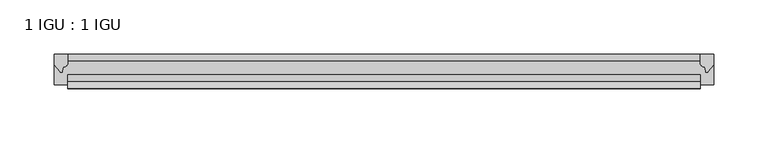
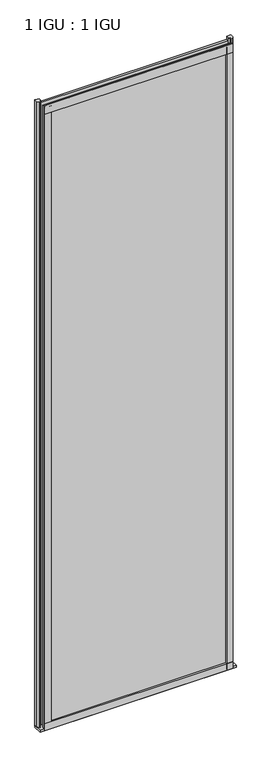
"""IFC4 building model written with IfcOpenShell, lengths in millimetres: plate geometry, 1 IGU : 1 IGU."""

from ifc_helpers import new_model, si_unit, point, frame, frame_2d, origin, place, context, project, spatial, polyline, circle_curve, trimmed, segment, composite_curve, outline, extrude, source, transform, mapped, element, save


def plate_1_igu_1_igu_23339771(model_context):
    return source(origin(), model_context, "Body", "SweptSolid", [
        extrude(outline(polyline([(292.1, 0.0021347), (292.1, -6.2992), (-292.1, -6.2992), (-292.1, 0.0021347), (292.1, 0.0021347)])), frame((0.0, 0.0, -19.05), z_axis=(0.0, 0.0, 1.0), x_axis=(1.0, 0.0, 0.0)), (0.0, 0.0, 1.0), 2041.5250001),
        extrude(outline(polyline([(-292.1, -19.0986653), (292.1, -19.0986653), (292.1, -25.3978653), (-292.1, -25.3978653), (-292.1, -19.0986653)])), frame((0.0, 0.0, -19.05), z_axis=(0.0, 0.0, 1.0), x_axis=(1.0, 0.0, 0.0)), (0.0, 0.0, 1.0), 2041.5250001),
        extrude(outline(composite_curve([segment(trimmed(circle_curve(frame_2d((10.9021792, -22.6833935)), 11.4916952), [point((0.0, -19.05))], [point((-0.2638007, -25.4))], True, "CARTESIAN"), True, "CONTINUOUS"), segment(polyline([(-0.2638007, -25.4), (-27.9952564, -25.4), (-27.9952564, -19.05), (0.0, -19.05)]), True, "CONTINUOUS")], self_intersect=False)), frame((-304.8, 0.0, 0.0), z_axis=(1.0, 0.0, 0.0), x_axis=(0.0, 1.0, 0.0)), (0.0, 0.0, 1.0), 609.6),
        extrude(outline(composite_curve([segment(polyline([(304.8, 0.0), (304.8, -9.7395025), (299.2337691, -16.3730781)]), True, "CONTINUOUS"), segment(trimmed(circle_curve(frame_2d((298.2800941, -15.7728374)), 1.1268473), [point((299.2337691, -16.3730781))], [point((297.1791412, -16.0130197))], False, "CARTESIAN"), True, "CONTINUOUS"), segment(polyline([(297.1791412, -16.0130197), (296.1989498, -11.7377885)]), True, "CONTINUOUS"), segment(trimmed(circle_curve(frame_2d((296.0714979, -7.7683362)), 3.9714979), [point((296.1989498, -11.7377885))], [point((292.1001786, -7.8060014))], False, "CARTESIAN"), True, "CONTINUOUS"), segment(polyline([(292.1001786, -7.8060014), (292.1001786, 0.0), (304.8, 0.0)]), True, "CONTINUOUS")], self_intersect=False)), frame((0.0, 0.0, -19.05), z_axis=(0.0, 0.0, 1.0), x_axis=(1.0, 0.0, 0.0)), (0.0, 0.0, 1.0), 2051.8374001),
        extrude(outline(composite_curve([segment(polyline([(-292.1, 8.8e-06), (-292.1, -7.7683362)]), True, "CONTINUOUS"), segment(trimmed(circle_curve(frame_2d((-296.0714979, -7.7683362)), 3.9714979), [point((-292.1, -7.7683362))], [point((-296.1989498, -11.7377885))], False, "CARTESIAN"), True, "CONTINUOUS"), segment(polyline([(-296.1989498, -11.7377885), (-297.1789843, -16.012436)]), True, "CONTINUOUS"), segment(trimmed(circle_curve(frame_2d((-298.2801933, -15.7723555)), 1.1270758), [point((-297.1789843, -16.012436))], [point((-299.2340327, -16.372764))], False, "CARTESIAN"), True, "CONTINUOUS"), segment(polyline([(-299.2340327, -16.372764), (-304.8, -9.7395025), (-304.8, 8.8e-06), (-292.1, 8.8e-06)]), True, "CONTINUOUS")], self_intersect=False)), frame((0.0, 0.0, -19.05), z_axis=(0.0, 0.0, 1.0), x_axis=(1.0, 0.0, 0.0)), (0.0, 0.0, 1.0), 2051.8374001),
        extrude(outline(composite_curve([segment(polyline([(-31.75, 0.0), (-25.4, 0.0), (-25.4, -22.225)]), True, "CONTINUOUS"), segment(trimmed(circle_curve(frame_2d((-28.575, -28.9113452)), 7.4018806), [point((-25.4, -22.225))], [point((-31.75, -22.225))], True, "CARTESIAN"), True, "CONTINUOUS"), segment(polyline([(-31.75, -22.225), (-31.75, 0.0)]), True, "CONTINUOUS")], self_intersect=False)), frame((-292.1, 0.0, 0.0), z_axis=(1.0, 0.0, 0.0), x_axis=(0.0, 1.0, 0.0)), (0.0, 0.0, 1.0), 584.2),
        extrude(outline(composite_curve([segment(polyline([(-25.4, 2025.6500001), (-25.4, 2000.2500001), (-31.75, 2000.2500001), (-31.75, 2028.4228974)]), True, "CONTINUOUS"), segment(trimmed(circle_curve(frame_2d((-24.1401272, 2037.1924116)), 11.6109665), [point((-31.75, 2028.4228974))], [point((-25.4, 2025.6500001))], True, "CARTESIAN"), True, "CONTINUOUS")], self_intersect=False)), frame((-292.1, 0.0, 0.0), z_axis=(1.0, 0.0, 0.0), x_axis=(0.0, 1.0, 0.0)), (0.0, 0.0, 1.0), 584.2),
        extrude(outline(composite_curve([segment(polyline([(273.05, -25.4), (292.1, -25.4)]), True, "CONTINUOUS"), segment(trimmed(circle_curve(frame_2d((301.5661507, -28.575)), 9.9844196), [point((292.1, -25.4))], [point((292.1, -31.75))], True, "CARTESIAN"), True, "CONTINUOUS"), segment(polyline([(292.1, -31.75), (273.05, -31.75), (273.05, -25.4)]), True, "CONTINUOUS")], self_intersect=False)), frame((0.0, 0.0, -19.05), z_axis=(0.0, 0.0, 1.0), x_axis=(1.0, 0.0, 0.0)), (0.0, 0.0, 1.0), 2041.5250001),
        extrude(outline(composite_curve([segment(trimmed(circle_curve(frame_2d((-301.5661507, -28.575)), 9.9844196), [point((-292.1, -31.75))], [point((-292.1, -25.4))], True, "CARTESIAN"), True, "CONTINUOUS"), segment(polyline([(-292.1, -25.4), (-273.05, -25.4), (-273.05, -31.75), (-292.1, -31.75)]), True, "CONTINUOUS")], self_intersect=False)), frame((0.0, 0.0, -19.05), z_axis=(0.0, 0.0, 1.0), x_axis=(1.0, 0.0, 0.0)), (0.0, 0.0, 1.0), 2041.5250001),
    ])


if __name__ == "__main__":
    model = new_model("IFC4")
    model_context = context("Model", 3, world=origin())
    ifc_project = project(units=[si_unit("LENGTHUNIT", "METRE", prefix="MILLI")], contexts=[model_context])
    site = spatial("IfcSite", under=ifc_project)
    building = spatial("IfcBuilding", under=site)
    placement = place(None, origin())
    plate_1_igu_1_igu_shape = plate_1_igu_1_igu_23339771(model_context)
    element("IfcPlate", 1, ObjectType="1 IGU : 1 IGU", at=placement, inside=building, context=model_context, shape_type="MappedRepresentation", body=[
        mapped(plate_1_igu_1_igu_shape, transform((0.0, 0.0, 0.0), x_axis=(1.0, 0.0, 0.0), y_axis=(0.0, 1.0, 0.0), z_axis=(0.0, 0.0, 1.0))),
    ])
    save(model, "model.ifc")
